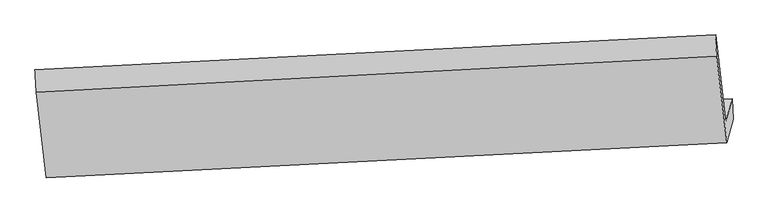
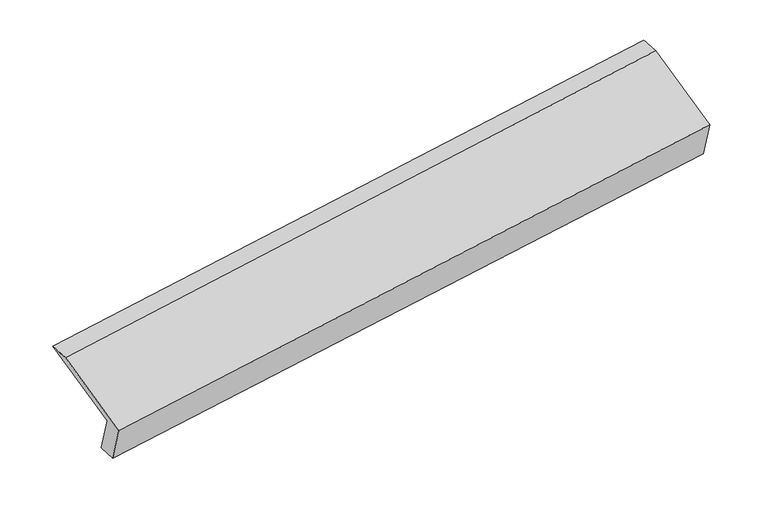
"""IFC4 building model written with IfcOpenShell, lengths in millimetres: proxy geometry."""

from ifc_helpers import new_model, si_unit, frame, origin, place, context, project, spatial, source, transform, mapped, element, save
from ifc_brep_helpers import plane_surface, spline_surface, advanced_brep


def generic_models_d7fe4b38(model_context):
    return source(origin(), model_context, "Body", "AdvancedBrep", [
        advanced_brep(
        [(-5215.7608083, -1659.8203658, 1259.2900744), (-5256.1113534, -1811.85003, 1589.3512475), (-453.4442058, -1565.5076779, 2312.1084195), (-409.7828458, -1401.0037812, 1954.9652961), (-5207.1530153, -1802.6008749, 1252.1961701), (-402.2786578, -1547.9423678, 1956.8987086), (-5248.6223766, -1958.8459282, 1591.4090853), (-445.955229, -1712.5035761, 2314.1662573), (-5319.8726501, -1357.230508, 1859.809037), (-518.2807946, -1101.8087197, 2586.6168369), (-5328.8181866, -1197.9358664, 1863.2380634), (-526.151039, -951.5935143, 2585.9952354)],
        [
            (0, 1),
            (1, 2),
            (2, 3),
            (3, 0),
            (4, 0),
            (3, 5),
            (5, 4),
            (6, 4),
            (5, 7),
            (7, 6),
            (8, 6),
            (7, 9),
            (9, 8),
            (10, 8),
            (9, 11),
            (11, 10),
            (1, 10),
            (11, 2),
        ],
        [
            plane_surface(frame((-5235.9360808, -1735.8351979, 1424.320661), z_axis=(-0.10752920974745842, 0.907943612611233, 0.4050627918848513), x_axis=(-0.1103604970307761, -0.41580774876664045, 0.9027316748407239))),
            spline_surface(1, 1, [[(-5207.1530153, -1802.6008749, 1252.1961701), (-402.2786578, -1547.9423678, 1956.8987086)], [(-5215.7608083, -1659.8203658, 1259.2900744), (-409.7828458, -1401.0037812, 1954.9652961)]], [2, 2], [2, 2], [0.0, 1.0], [0.0, 1.0]),
            plane_surface(frame((-5227.887696, -1880.7234016, 1421.8026277), z_axis=(0.1075292097474553, -0.9079436126112331, -0.40506279188485234), x_axis=(0.11036049703077588, 0.41580774876664095, -0.9027316748407238))),
            plane_surface(frame((-5284.2475133, -1658.0382181, 1725.6090612), z_axis=(-0.11442314455195587, -0.41601960213606687, 0.9021280588859828), x_axis=(0.10752920974745815, -0.9079436126112332, -0.40506279188485106))),
            spline_surface(1, 1, [[(-5328.8181866, -1197.9358664, 1863.2380634), (-526.151039, -951.5935143, 2585.9952354)], [(-5319.8726501, -1357.230508, 1859.809037), (-518.2807946, -1101.8087197, 2586.6168369)]], [2, 2], [2, 2], [0.0, 1.0], [0.0, 1.0]),
            plane_surface(frame((-5292.46477, -1504.8929482, 1726.2946555), z_axis=(0.11442314455195503, 0.4160196021360682, -0.9021280588859821), x_axis=(-0.10752920974745667, 0.9079436126112326, 0.40506279188485267))),
            plane_surface(frame((-459.315462, -1380.0599395, 2285.1251256), z_axis=(0.9880577056762462, 0.05236709256853647, 0.14491258699544046), x_axis=(0.10752920974745815, -0.9079436126112332, -0.40506279188485106))),
            plane_surface(frame((-5262.723065, -1631.3805956, 1569.215613), z_axis=(-0.9880577056762452, -0.05236709256854625, -0.14491258699544327), x_axis=(0.11036049703077436, 0.415807748766642, -0.9027316748407235))),
        ],
        [
            (0, [[1, 2, 3, 4]]),
            (1, [[5, -4, 6, 7]]),
            (2, [[8, -7, 9, 10]]),
            (3, [[11, -10, 12, 13]]),
            (4, [[14, -13, 15, 16]]),
            (5, [[17, -16, 18, -2]]),
            (6, [[-12, -9, -6, -3, -18, -15]]),
            (7, [[-1, -5, -8, -11, -14, -17]]),
        ],
    ),
    ])


if __name__ == "__main__":
    model = new_model("IFC4")
    model_context = context("Model", 3, world=origin())
    ifc_project = project(units=[si_unit("LENGTHUNIT", "METRE", prefix="MILLI")], contexts=[model_context])
    site = spatial("IfcSite", under=ifc_project)
    building = spatial("IfcBuilding", under=site)
    placement = place(None, origin())
    generic_models_shape = generic_models_d7fe4b38(model_context)
    element("IfcBuildingElementProxy", 1, Name="Generic Models", at=placement, inside=building, context=model_context, shape_type="MappedRepresentation", body=[
        mapped(generic_models_shape, transform((0.0, 0.0, 0.0), x_axis=(1.0, 0.0, 0.0), y_axis=(0.0, 1.0, 0.0), z_axis=(0.0, 0.0, 1.0))),
    ])
    save(model, "model.ifc")
